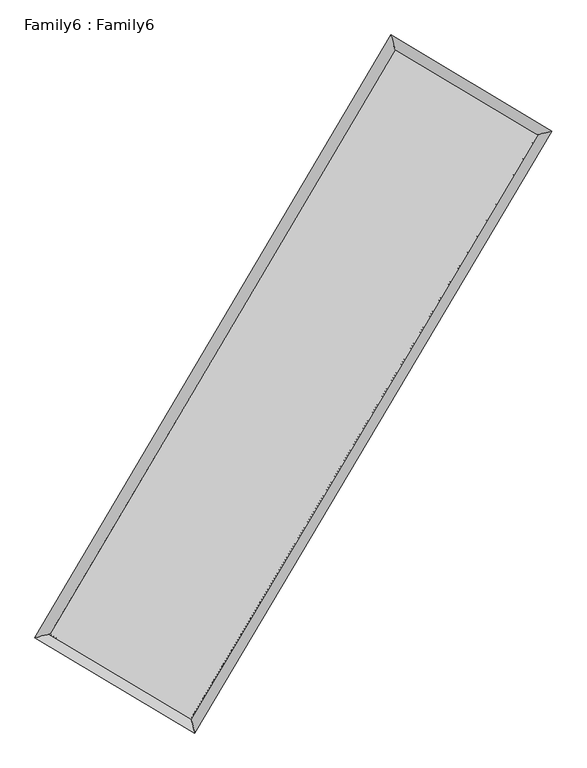
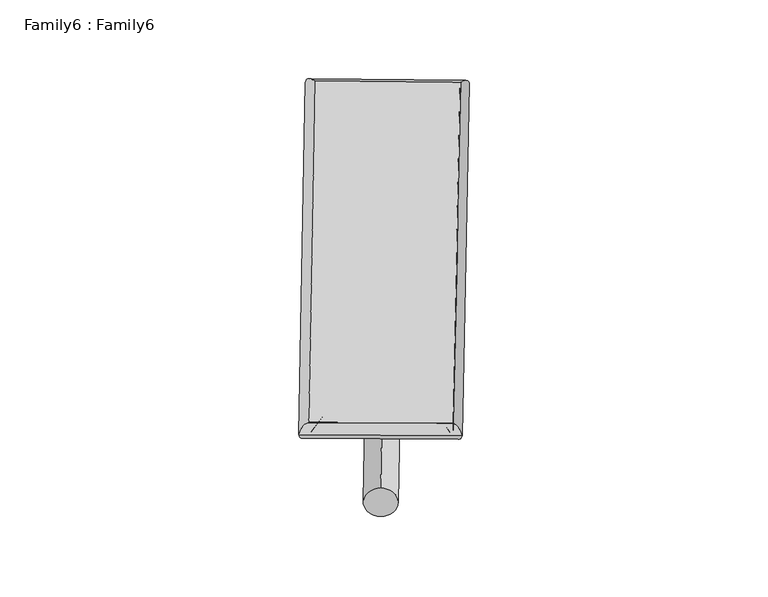
"""IFC4 building model written with IfcOpenShell, lengths in millimetres: plate geometry, Family6 : Family6."""

from ifc_helpers import new_model, si_unit, point, frame, origin, origin_2d, place, context, project, spatial, circle_curve, ellipse_curve, trimmed, segment, composite_curve, outline, extrude, source, transform, mapped, element, save
from ifc_brep_helpers import plane_surface, cylinder_surface, spline_surface, advanced_brep


def family6_family6_8238852f(model_context):
    return source(origin(), model_context, "Body", "SolidModel", [
        extrude(outline(composite_curve([segment(trimmed(circle_curve(origin_2d(), 76.2), [point((-75.4341515, -10.7763073))], [point((75.4341515, 10.7763073))], False, "CARTESIAN"), True, "CONTINUOUS"), segment(trimmed(circle_curve(origin_2d(), 76.2), [point((75.4341515, 10.7763073))], [point((-75.4341515, -10.7763073))], False, "CARTESIAN"), True, "CONTINUOUS")], self_intersect=False)), frame((9144.0, 9144.0, 0.0), z_axis=(0.6741888451977195, 0.6862965914373684, 0.2728853048304643), x_axis=(-0.6783710656251727, 0.7215232452150161, -0.13862504801427278)), (0.0, 0.0, 1.0), 5565.8072397),
        extrude(outline(composite_curve([segment(trimmed(circle_curve(origin_2d(), 76.2), [point((-53.8815367, 53.8815368))], [point((53.8815367, -53.8815368))], False, "CARTESIAN"), True, "CONTINUOUS"), segment(trimmed(circle_curve(origin_2d(), 76.2), [point((53.8815367, -53.8815368))], [point((-53.8815367, 53.8815368))], False, "CARTESIAN"), True, "CONTINUOUS")], self_intersect=False)), frame((9144.0, 9144.0, 0.0), z_axis=(-0.6731432926820494, -0.6873146248258162, 0.27290422132630404), x_axis=(0.6413710109958333, -0.3588965442166089, 0.6781124514441232)), (0.0, 0.0, 1.0), 5565.2066317),
        extrude(outline(composite_curve([segment(trimmed(circle_curve(origin_2d(), 76.2), [point((-53.8815367, -53.8815367))], [point((53.8815367, 53.8815367))], False, "CARTESIAN"), True, "CONTINUOUS"), segment(trimmed(circle_curve(origin_2d(), 76.2), [point((53.8815367, 53.8815367))], [point((-53.8815367, -53.8815367))], False, "CARTESIAN"), True, "CONTINUOUS")], self_intersect=False)), frame((9144.0, 9144.0, 0.0), z_axis=(0.27853561469596605, 0.920609869229688, 0.273670203023342), x_axis=(-0.8391118156554149, 0.37188758967504654, -0.39697730599261893)), (0.0, 0.0, 1.0), 5576.1926561),
        extrude(outline(composite_curve([segment(trimmed(circle_curve(origin_2d(), 76.2), [point((-75.4341515, 10.7763073))], [point((75.4341515, -10.7763073))], False, "CARTESIAN"), True, "CONTINUOUS"), segment(trimmed(circle_curve(origin_2d(), 76.2), [point((75.4341515, -10.7763073))], [point((-75.4341515, 10.7763073))], False, "CARTESIAN"), True, "CONTINUOUS")], self_intersect=False)), frame((9144.0, 9144.0, 0.0), z_axis=(-0.27982044102805836, -0.9201738019263053, 0.27382603059488664), x_axis=(0.8768415112150458, -0.12880238547596337, 0.4632050406740152)), (0.0, 0.0, 1.0), 5572.7748368),
        advanced_brep(
        [(5189.304062, 5265.7883633, 1519.3383845), (5606.3346237, 5372.1182743, 1519.4966221), (5606.332905, 5372.1158204, 1518.1983802), (10750.4107715, 14068.1747179, 1525.2547796), (10643.9257268, 14486.821266, 1526.820773), (5189.3023433, 5265.7859094, 1518.0401426), (12687.7735822, 12910.9004787, 1518.902631), (13105.0367288, 13016.6885956, 1518.7513795), (7531.4950152, 4225.129757, 1525.8373031), (7637.7523597, 3807.0274254, 1526.1043228)],
        [
            (0, 1, ellipse_curve(frame((5397.8184835, 5318.9520919, 1518.7683823), z_axis=(-0.24706398632194837, 0.9689979995173188, -0.0015045245569717395), x_axis=(-0.9689951430006117, -0.2470671373200265, -0.0024984990916917665)), 215.1887314, 152.4)),
            (1, 2, ellipse_curve(frame((5397.8184835, 5318.9520919, 1518.7683823), z_axis=(-0.24706398632194837, 0.9689979995173188, -0.0015045245569717395), x_axis=(-0.9689951430006117, -0.2470671373200265, -0.0024984990916917665)), 215.1887314, 152.4)),
            (2, 3),
            (3, 4, ellipse_curve(frame((10697.1682491, 14277.4979919, 1526.0377763), z_axis=(-0.9691387409722452, -0.24651136189169176, 0.001499734988177612), x_axis=(0.24650727876040074, -0.9691377696710924, -0.0024788939232334105)), 215.9899862, 152.4)),
            (4, 0),
            (2, 5, ellipse_curve(frame((5397.8184835, 5318.9520919, 1518.7683823), z_axis=(-0.24706398632194837, 0.9689979995173188, -0.0015045245569717395), x_axis=(-0.9689951430006117, -0.2470671373200265, -0.0024984990916917665)), 215.1887314, 152.4)),
            (5, 0, ellipse_curve(frame((5397.8184835, 5318.9520919, 1518.7683823), z_axis=(-0.24706398632194837, 0.9689979995173188, -0.0015045245569717395), x_axis=(-0.9689951430006117, -0.2470671373200265, -0.0024984990916917665)), 215.1887314, 152.4)),
            (4, 3, ellipse_curve(frame((10697.1682491, 14277.4979919, 1526.0377763), z_axis=(-0.9691387409722452, -0.24651136189169176, 0.001499734988177612), x_axis=(0.24650727876040074, -0.9691377696710924, -0.0024788939232334105)), 215.9899862, 152.4)),
            (3, 6),
            (6, 7, ellipse_curve(frame((12896.4051555, 12963.7945372, 1518.8270052), z_axis=(-0.245752633920581, 0.9693314109932094, 0.0015028582803591356), x_axis=(-0.9693286110313143, -0.24575576781736283, 0.0024791975720798447)), 215.2327325, 152.4)),
            (7, 4),
            (7, 6, ellipse_curve(frame((12896.4051555, 12963.7945372, 1518.8270052), z_axis=(-0.245752633920581, 0.9693314109932094, 0.0015028582803591356), x_axis=(-0.9693286110313143, -0.24575576781736283, 0.0024791975720798447)), 215.2327325, 152.4)),
            (6, 8),
            (8, 9, ellipse_curve(frame((7584.6236874, 4016.0785912, 1525.9708129), z_axis=(0.9691892456203447, 0.2463126193846105, 0.0015164780773377384), x_axis=(-0.2463084913719438, 0.9691882973659303, -0.00248421557160667)), 215.6970698, 152.4)),
            (9, 7),
            (9, 8, ellipse_curve(frame((7584.6236874, 4016.0785912, 1525.9708129), z_axis=(0.9691892456203447, 0.2463126193846105, 0.0015164780773377384), x_axis=(-0.2463084913719438, 0.9691882973659303, -0.00248421557160667)), 215.6970698, 152.4)),
            (8, 1),
            (5, 9),
        ],
        [
            cylinder_surface(frame((5397.8184835, 5318.9520919, 1518.7683823), z_axis=(-0.5091324331912026, -0.8606879095847748, -0.0006984034623602729), x_axis=(-0.8606812271738525, 0.5091248803874163, 0.004436367997604309)), 152.4),
            cylinder_surface(frame((10697.1682491, 14277.4979919, 1526.0377763), z_axis=(-0.8584934155350047, 0.5128168605030282, 0.002814794283774701), x_axis=(0.5128231070197801, 0.858491188503986, 0.0023108802636836834)), 152.4),
            cylinder_surface(frame((12896.4051555, 12963.7945372, 1518.8270052), z_axis=(0.5104729171743996, 0.8598935570767253, -0.0006865343365589473), x_axis=(0.8598938104941284, -0.5104729171743996, 0.0001884286249555423)), 152.4),
            cylinder_surface(frame((7584.6236874, 4016.0785912, 1525.9708129), z_axis=(0.8590815339248523, -0.5118309410659683, 0.002829458755291001), x_axis=(-0.511827249736631, -0.8590861616333937, -0.001957885859509223)), 152.4),
        ],
        [
            (0, [[1, 2, 3, 4, 5]]),
            (0, [[6, 7, -5, 8, -3]]),
            (1, [[-4, 9, 10, 11]]),
            (1, [[-8, -11, 12, -9]]),
            (2, [[-10, 13, 14, 15]]),
            (2, [[-12, -15, 16, -13]]),
            (3, [[-14, 17, -1, -7, 18]]),
            (3, [[-16, -18, -6, -2, -17]]),
        ],
    ),
        extrude(outline(composite_curve([segment(trimmed(circle_curve(origin_2d(), 304.8), [point((0.0, 304.8))], [point((0.0, -304.8))], False, "CARTESIAN"), True, "CONTINUOUS"), segment(trimmed(circle_curve(origin_2d(), 304.8), [point((0.0, -304.8))], [point((0.0, 304.8))], False, "CARTESIAN"), True, "CONTINUOUS")], self_intersect=False)), frame((11804.0959693, 13641.2075406, -0.0001213), z_axis=(-0.5091059083100445, -0.8607038829491849, 2.321480673661928e-08), x_axis=(-0.8607038829491851, 0.5091059083100445, -6.351787287698944e-09)), (0.0, 0.0, 1.0), 10450.0691346),
        advanced_brep(
        [(5397.8184835, 5318.9520919, 1518.7683823), (7584.6236874, 4016.0785912, 1525.9708129), (7584.6245976, 4016.0769657, 1678.3708129), (5397.8193937, 5318.9504663, 1671.1683823), (12896.4051555, 12963.7945372, 1518.8270052), (12896.4060657, 12963.7929117, 1671.2270052), (10697.1682491, 14277.4979919, 1526.0377763), (10697.1691593, 14277.4963664, 1678.4377763)],
        [
            (0, 1),
            (1, 2),
            (2, 3),
            (3, 0),
            (1, 4),
            (4, 5),
            (5, 2),
            (4, 6),
            (6, 7),
            (7, 5),
            (6, 0),
            (3, 7),
        ],
        [
            plane_surface(frame((6491.2210855, 4667.5153415, 1522.3695976), z_axis=(-0.5118329750434926, -0.8590849816059188, -6.106225469398006e-06), x_axis=(0.8590815339248525, -0.5118309410659683, 0.0028294587552910003))),
            plane_surface(frame((10240.5144215, 8489.9365642, 1522.3989091), z_axis=(0.8598937559672412, -0.510473043692423, -1.058040541838316e-05), x_axis=(0.5104729171743994, 0.8598935570767255, -0.0006865343365589485))),
            plane_surface(frame((11796.7867023, 13620.6462645, 1522.4323908), z_axis=(0.5128189067730277, 0.8584968076929461, 6.0940635405394745e-06), x_axis=(-0.8584934155350046, 0.512816860503028, 0.0028147942837747006))),
            plane_surface(frame((8047.4933663, 9798.2250419, 1522.4030793), z_axis=(-0.8606881232032982, 0.5091325509776816, 1.0570851858875867e-05), x_axis=(-0.509132433191202, -0.8606879095847751, -0.0006984034623602749))),
            spline_surface(1, 1, [[(7584.6245976, 4016.0769657, 1678.3708129), (5397.8193937, 5318.9504663, 1671.1683823)], [(12896.4060657, 12963.7929117, 1671.2270052), (10697.1691593, 14277.4963664, 1678.4377763)]], [2, 2], [2, 2], [0.0, 1.0], [0.0, 1.0]),
            spline_surface(1, 1, [[(10697.1682491, 14277.4979919, 1526.0377763), (5397.8184835, 5318.9520919, 1518.7683823)], [(12896.4051555, 12963.7945372, 1518.8270052), (7584.6236874, 4016.0785912, 1525.9708129)]], [2, 2], [2, 2], [0.0, 1.0], [0.0, 1.0]),
        ],
        [
            (0, [[1, 2, 3, 4]]),
            (1, [[5, 6, 7, -2]]),
            (2, [[8, 9, 10, -6]]),
            (3, [[11, -4, 12, -9]]),
            (4, [[-3, -7, -10, -12]]),
            (5, [[-11, -8, -5, -1]]),
        ],
    ),
    ])


if __name__ == "__main__":
    model = new_model("IFC4")
    model_context = context("Model", 3, world=origin())
    ifc_project = project(units=[si_unit("LENGTHUNIT", "METRE", prefix="MILLI")], contexts=[model_context])
    site = spatial("IfcSite", under=ifc_project)
    building = spatial("IfcBuilding", under=site)
    placement = place(None, origin())
    family6_family6_shape = family6_family6_8238852f(model_context)
    element("IfcPlate", 1, ObjectType="Family6 : Family6", at=placement, inside=building, context=model_context, shape_type="MappedRepresentation", body=[
        mapped(family6_family6_shape, transform((0.0, 0.0, 0.0), x_axis=(1.0, 0.0, 0.0), y_axis=(0.0, 1.0, 0.0), z_axis=(0.0, 0.0, 1.0))),
    ])
    save(model, "model.ifc")
